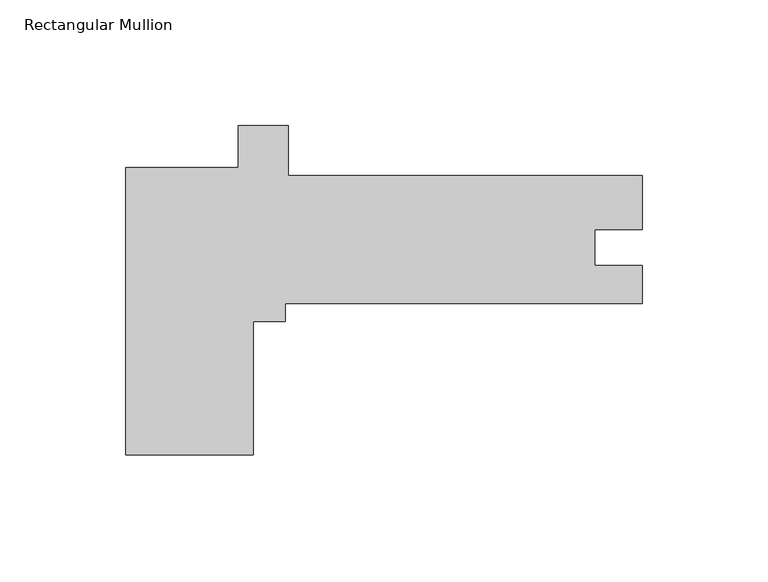
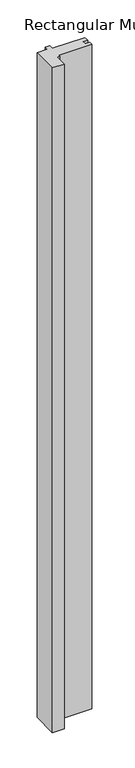
"""IFC4 building model written with IfcOpenShell, lengths in millimetres: member geometry, Rectangular Mullion."""

from ifc_helpers import new_model, si_unit, frame, origin, place, context, project, spatial, polyline, outline, extrude, source, transform, mapped, element, save


def rectangular_mullion_c251f1d0(model_context):
    return source(origin(), model_context, "Body", "SweptSolid", [
        extrude(outline(polyline([(-154.7682707, -114.299873), (-205.5812513, -114.299873), (-205.5812513, 0.0), (-160.7177059, 0.0), (-160.7177059, 16.7890658), (-140.9003709, 16.7890658), (-140.9003709, -3.175), (-1.3e-06, -3.175), (-1.3e-06, -24.5580011), (-19.0246, -24.5580011), (-19.0246, -38.8747), (0.0, -38.8747), (0.0, -53.975), (-142.0812513, -53.975), (-142.0812513, -61.13399), (-154.7682707, -61.13399), (-154.7682707, -114.299873)])), frame((0.0, 0.0, -3048.0), z_axis=(0.0, 0.0, 1.0), x_axis=(1.0, 0.0, 0.0)), (0.0, 0.0, 1.0), 3048.0),
    ])


if __name__ == "__main__":
    model = new_model("IFC4")
    model_context = context("Model", 3, world=origin())
    ifc_project = project(units=[si_unit("LENGTHUNIT", "METRE", prefix="MILLI")], contexts=[model_context])
    site = spatial("IfcSite", under=ifc_project)
    building = spatial("IfcBuilding", under=site)
    placement = place(None, origin())
    rectangular_mullion_shape = rectangular_mullion_c251f1d0(model_context)
    element("IfcMember", 1, ObjectType="Rectangular Mullion", at=placement, inside=building, context=model_context, shape_type="MappedRepresentation", body=[
        mapped(rectangular_mullion_shape, transform((0.0, 0.0, 0.0), x_axis=(1.0, 0.0, 0.0), y_axis=(0.0, 1.0, 0.0), z_axis=(0.0, 0.0, 1.0))),
    ])
    save(model, "model.ifc")
